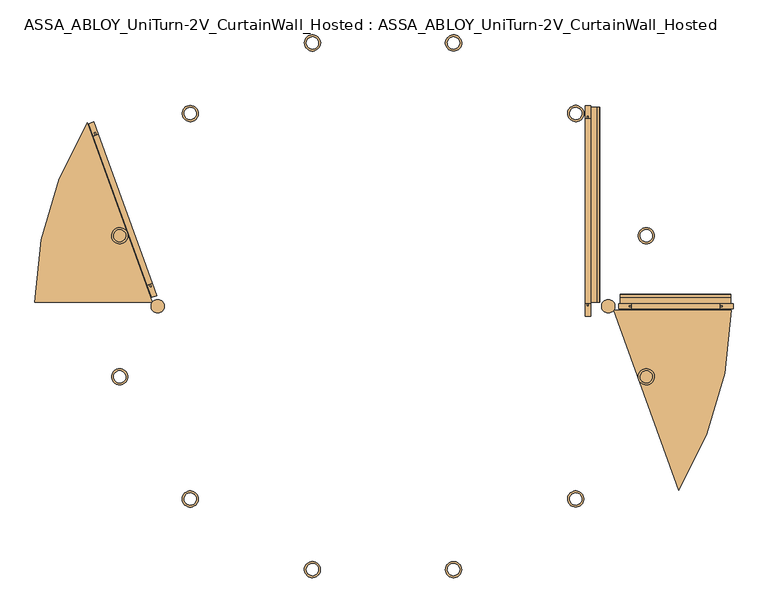
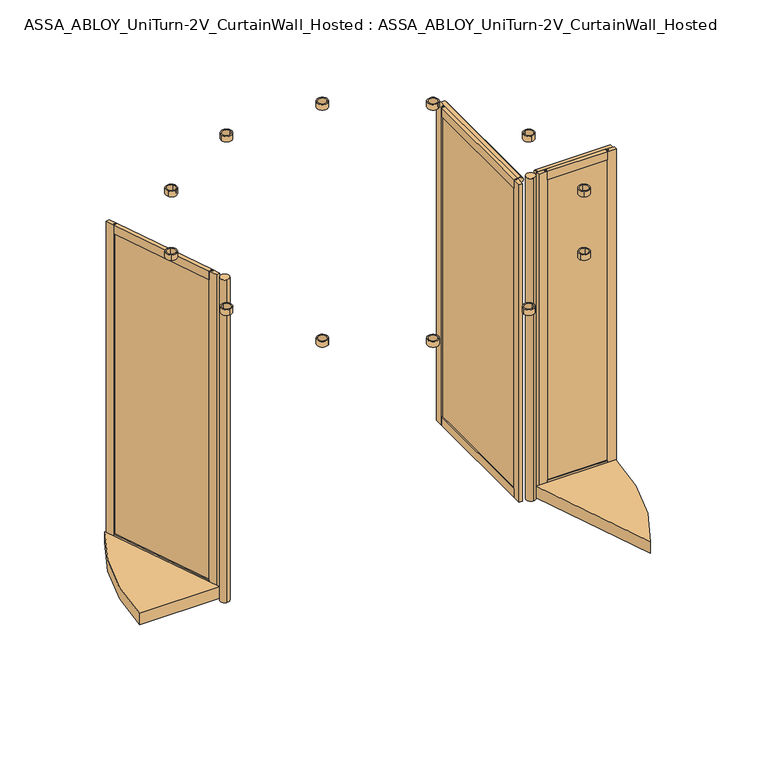
"""IFC4 building model written with IfcOpenShell, lengths in millimetres: door geometry, ASSA_ABLOY_UniTurn-2V_CurtainWall_Hosted : ASSA_ABLOY_UniTurn-2V_CurtainWall_Hosted."""

from ifc_helpers import new_model, si_unit, point, frame, frame_2d, origin, origin_with_axes, origin_2d, place, context, project, spatial, polyline, circle_curve, trimmed, segment, composite_curve, outline, extrude, source, transform, mapped, element, save


def assa_abloy_uniturn_2v_curtainwall_hosted_assa_abloy_uniturn_6cddff91(model_context):
    return source(origin(), model_context, "Body", "SweptSolid", [
        extrude(outline(polyline([(1009.8, 0.0), (1009.8, 943.95), (1019.8, 943.95), (1019.8, 0.0), (1009.8, 0.0)])), frame((0.0, 0.0, 90.0), z_axis=(0.0, 0.0, 1.0), x_axis=(1.0, 0.0, 0.0)), (0.0, 0.0, 1.0), 2346.0),
        extrude(outline(polyline([(2486.0, 1001.8), (2421.0, 1001.8), (2421.0, 1009.8), (2436.0, 1009.8), (2436.0, 1019.8), (2421.0, 1019.8), (2421.0, 1027.8), (2486.0, 1027.8), (2486.0, 1001.8)])), frame((0.0, 15.0, 0.0), z_axis=(0.0, 1.0, 0.0), x_axis=(0.0, 0.0, 1.0)), (0.0, 0.0, 1.0), 913.95),
        extrude(outline(polyline([(105.0, 1027.8), (105.0, 1019.8), (90.0, 1019.8), (90.0, 1009.8), (105.0, 1009.8), (105.0, 1001.8), (40.0, 1001.8), (40.0, 1027.8), (105.0, 1027.8)])), frame((0.0, 15.0, 0.0), z_axis=(0.0, 1.0, 0.0), x_axis=(0.0, 0.0, 1.0)), (0.0, 0.0, 1.0), 913.95),
        extrude(outline(polyline([(1027.8, 15.0), (1027.8, -50.0), (1001.8, -50.0), (1001.8, 15.0), (1009.8, 15.0), (1009.8, 0.0), (1019.8, 0.0), (1019.8, 15.0), (1027.8, 15.0)])), frame((0.0, 0.0, 40.0), z_axis=(0.0, 0.0, 1.0), x_axis=(1.0, 0.0, 0.0)), (0.0, 0.0, 1.0), 2446.0),
        extrude(outline(polyline([(1027.8, 928.95), (1019.8, 928.95), (1019.8, 943.95), (1009.8, 943.95), (1009.8, 928.95), (1001.8, 928.95), (1001.8, 993.95), (1027.8, 993.95), (1027.8, 928.95)])), frame((0.0, 0.0, 40.0), z_axis=(0.0, 0.0, 1.0), x_axis=(1.0, 0.0, 0.0)), (0.0, 0.0, 1.0), 2446.0),
        extrude(outline(polyline([(2486.0, 1027.8), (2437.8850542, 1027.8), (2437.8850542, 1030.7913329), (2483.0, 1030.7913329), (2483.0, 1057.7913329), (2486.0, 1057.7913329), (2486.0, 1027.8)])), frame((0.0, 20.27, 0.0), z_axis=(0.0, 1.0, 0.0), x_axis=(0.0, 0.0, 1.0)), (0.0, 0.0, 1.0), 964.68),
        extrude(outline(composite_curve([segment(trimmed(circle_curve(frame_2d((2455.1662061, 1047.6695926)), 27.9399487), [point((2463.4731378, 1074.346092))], [point((2483.0, 1050.1028312))], False, "CARTESIAN"), True, "CONTINUOUS"), segment(polyline([(2483.0, 1050.1028312), (2483.0, 1030.7913329), (2438.0, 1030.7913329), (2438.0, 1050.1028312)]), True, "CONTINUOUS"), segment(trimmed(circle_curve(frame_2d((2465.8337939, 1047.6695926)), 27.9399487), [point((2438.0, 1050.1028312))], [point((2452.6647456, 1072.311364))], False, "CARTESIAN"), True, "CONTINUOUS"), segment(trimmed(circle_curve(frame_2d((2465.8337939, 1047.6695926)), 27.9399487), [point((2452.6647456, 1072.311364))], [point((2457.5268622, 1074.346092))], False, "CARTESIAN"), True, "CONTINUOUS"), segment(trimmed(circle_curve(frame_2d((2460.5, 1064.7982937)), 10.0), [point((2457.5268622, 1074.346092))], [point((2463.4731378, 1074.346092))], False, "CARTESIAN"), True, "CONTINUOUS")], self_intersect=False)), frame((0.0, 20.27, 0.0), z_axis=(0.0, 1.0, 0.0), x_axis=(0.0, 0.0, 1.0)), (0.0, 0.0, 1.0), 964.68),
        extrude(outline(polyline([(1684.0, -5.0), (1216.6, -5.0), (1216.6, 5.0), (1684.0, 5.0), (1684.0, -5.0)])), frame((0.0, 0.0, 90.0), z_axis=(0.0, 0.0, 1.0), x_axis=(1.0, 0.0, 0.0)), (0.0, 0.0, 1.0), 2346.0),
        extrude(outline(polyline([(-13.0, 2486.0), (13.0, 2486.0), (13.0, 2421.0), (5.0, 2421.0), (5.0, 2436.0), (-5.0, 2436.0), (-5.0, 2421.0), (-13.0, 2421.0), (-13.0, 2486.0)])), frame((1231.6, 0.0, 0.0), z_axis=(1.0, 0.0, 0.0), x_axis=(0.0, 1.0, 0.0)), (0.0, 0.0, 1.0), 437.4),
        extrude(outline(polyline([(13.0, 105.0), (13.0, 40.0), (-13.0, 40.0), (-13.0, 105.0), (-5.0, 105.0), (-5.0, 90.0), (5.0, 90.0), (5.0, 105.0), (13.0, 105.0)])), frame((1231.6, 0.0, 0.0), z_axis=(1.0, 0.0, 0.0), x_axis=(0.0, 1.0, 0.0)), (0.0, 0.0, 1.0), 437.4),
        extrude(outline(polyline([(1669.0, 13.0), (1734.0, 13.0), (1734.0, -13.0), (1669.0, -13.0), (1669.0, -5.0), (1684.0, -5.0), (1684.0, 5.0), (1669.0, 5.0), (1669.0, 13.0)])), frame((0.0, 0.0, 40.0), z_axis=(0.0, 0.0, 1.0), x_axis=(1.0, 0.0, 0.0)), (0.0, 0.0, 1.0), 2446.0),
        extrude(outline(polyline([(1231.6, 13.0), (1231.6, 5.0), (1216.6, 5.0), (1216.6, -5.0), (1231.6, -5.0), (1231.6, -13.0), (1166.6, -13.0), (1166.6, 13.0), (1231.6, 13.0)])), frame((0.0, 0.0, 40.0), z_axis=(0.0, 0.0, 1.0), x_axis=(1.0, 0.0, 0.0)), (0.0, 0.0, 1.0), 2446.0),
        extrude(outline(polyline([(13.0, 2486.0), (42.9913329, 2486.0), (42.9913329, 2483.0), (15.9913329, 2483.0), (15.9913329, 2437.8850542), (13.0, 2437.8850542), (13.0, 2486.0)])), frame((1175.6, 0.0, 0.0), z_axis=(1.0, 0.0, 0.0), x_axis=(0.0, 1.0, 0.0)), (0.0, 0.0, 1.0), 547.4),
        extrude(outline(composite_curve([segment(trimmed(circle_curve(frame_2d((49.9982937, 2460.5)), 10.0), [point((59.546092, 2463.4731378))], [point((59.546092, 2457.5268622))], False, "CARTESIAN"), True, "CONTINUOUS"), segment(trimmed(circle_curve(frame_2d((32.8695926, 2465.8337939)), 27.9399487), [point((59.546092, 2457.5268622))], [point((57.511364, 2452.6647456))], False, "CARTESIAN"), True, "CONTINUOUS"), segment(trimmed(circle_curve(frame_2d((32.8695926, 2465.8337939)), 27.9399487), [point((57.511364, 2452.6647456))], [point((35.3028312, 2438.0))], False, "CARTESIAN"), True, "CONTINUOUS"), segment(polyline([(35.3028312, 2438.0), (15.9913329, 2438.0), (15.9913329, 2483.0), (35.3028312, 2483.0)]), True, "CONTINUOUS"), segment(trimmed(circle_curve(frame_2d((32.8695926, 2455.1662061)), 27.9399487), [point((35.3028312, 2483.0))], [point((59.546092, 2463.4731378))], False, "CARTESIAN"), True, "CONTINUOUS")], self_intersect=False)), frame((1175.6, 0.0, 0.0), z_axis=(1.0, 0.0, 0.0), x_axis=(0.0, 1.0, 0.0)), (0.0, 0.0, 1.0), 547.4),
        extrude(outline(polyline([(-1145.3259997, 96.5821419), (-1154.7294749, 93.1799876), (-1432.1859526, 860.0632177), (-1422.7824774, 863.465372), (-1145.3259997, 96.5821419)])), frame((0.0, 0.0, 90.0), z_axis=(0.0, 0.0, 1.0), x_axis=(1.0, 0.0, 0.0)), (0.0, 0.0, 1.0), 2346.0),
        extrude(outline(polyline([(-26.0, 0.0), (0.0, 0.0), (0.0, -65.0), (-8.0, -65.0), (-8.0, -50.0), (-18.0, -50.0), (-18.0, -65.0), (-26.0, -65.0), (-26.0, 0.0)])), frame((-1167.3554865, 104.5634769, 2486.0), z_axis=(-0.3402154337922676, 0.9403475201272875, 0.0), x_axis=(-0.9403475201272875, -0.3402154337922676, 0.0)), (0.0, 0.0, 1.0), 785.5317195),
        extrude(outline(polyline([(-65.0, 0.0), (0.0, 0.0), (0.0, -26.0), (-65.0, -26.0), (-65.0, -18.0), (-50.0, -18.0), (-50.0, -8.0), (-65.0, -8.0), (-65.0, 0.0)])), frame((-1167.3554865, 104.5634769, 40.0), z_axis=(-0.3402154337922676, 0.9403475201272875, 0.0), x_axis=(0.0, 0.0, -1.0)), (0.0, 0.0, 1.0), 785.5317195),
        extrude(outline(polyline([(-1167.3554865, 104.5634769), (-1159.8327064, 107.2852004), (-1154.7294749, 93.1799876), (-1145.3259997, 96.5821419), (-1150.4292312, 110.6873548), (-1142.906451, 113.4090782), (-1120.7924478, 52.2864894), (-1145.2414833, 43.4408881), (-1167.3554865, 104.5634769)])), frame((0.0, 0.0, 40.0), z_axis=(0.0, 0.0, 1.0), x_axis=(1.0, 0.0, 0.0)), (0.0, 0.0, 1.0), 2446.0),
        extrude(outline(polyline([(-1434.6055013, 843.2362814), (-1456.7195045, 904.3588702), (-1432.2704689, 913.2044715), (-1410.1564657, 852.0818827), (-1417.6792459, 849.3601592), (-1422.7824774, 863.465372), (-1432.1859526, 860.0632177), (-1427.0827211, 845.9580049), (-1434.6055013, 843.2362814)])), frame((0.0, 0.0, 40.0), z_axis=(0.0, 0.0, 1.0), x_axis=(1.0, 0.0, 0.0)), (0.0, 0.0, 1.0), 2446.0),
        extrude(outline(composite_curve([segment(trimmed(circle_curve(origin_2d(), 1724.0), [point((1723.8839868, -20.0))], [point((1464.1470738, -910.1919283))], False, "CARTESIAN"), True, "CONTINUOUS"), segment(polyline([(1464.1470738, -910.1919283), (1142.0778105, -20.0), (1723.8839868, -20.0)]), True, "CONTINUOUS")], self_intersect=False)), frame((0.0, 0.0, 8.0), z_axis=(0.0, 0.0, 1.0), x_axis=(1.0, 0.0, 0.0)), (0.0, 0.0, 1.0), 87.0),
        extrude(outline(composite_curve([segment(trimmed(circle_curve(origin_2d(), 1724.0), [point((-1723.8839868, 20.0))], [point((-1464.1470738, 910.1919283))], False, "CARTESIAN"), True, "CONTINUOUS"), segment(polyline([(-1464.1470738, 910.1919283), (-1142.0778105, 20.0), (-1723.8839868, 20.0)]), True, "CONTINUOUS")], self_intersect=False)), frame((0.0, 0.0, 8.0), z_axis=(0.0, 0.0, 1.0), x_axis=(1.0, 0.0, 0.0)), (0.0, 0.0, 1.0), 87.0),
        extrude(outline(composite_curve([segment(trimmed(circle_curve(frame_2d((1115.7, 0.0)), 33.0), [point((1115.7, -33.0))], [point((1115.7, 33.0))], False, "CARTESIAN"), True, "CONTINUOUS"), segment(trimmed(circle_curve(frame_2d((1115.7, 0.0)), 33.0), [point((1115.7, 33.0))], [point((1115.7, -33.0))], False, "CARTESIAN"), True, "CONTINUOUS")], self_intersect=False)), origin_with_axes(), (0.0, 0.0, 1.0), 2486.0),
        extrude(outline(composite_curve([segment(trimmed(circle_curve(frame_2d((-1115.7, 0.0)), 33.0), [point((-1115.7, -33.0))], [point((-1115.7, 33.0))], False, "CARTESIAN"), True, "CONTINUOUS"), segment(trimmed(circle_curve(frame_2d((-1115.7, 0.0)), 33.0), [point((-1115.7, 33.0))], [point((-1115.7, -33.0))], False, "CARTESIAN"), True, "CONTINUOUS")], self_intersect=False)), origin_with_axes(), (0.0, 0.0, 1.0), 2486.0),
        extrude(outline(composite_curve([segment(trimmed(circle_curve(frame_2d((-954.5941546, -954.5941546)), 40.0), [point((-934.5941546, -989.2351708))], [point((-974.5941546, -919.9531385))], False, "CARTESIAN"), True, "CONTINUOUS"), segment(trimmed(circle_curve(frame_2d((-954.5941546, -954.5941546)), 40.0), [point((-974.5941546, -919.9531385))], [point((-934.5941546, -989.2351708))], False, "CARTESIAN"), True, "CONTINUOUS")], self_intersect=False), holes=[composite_curve([segment(trimmed(circle_curve(frame_2d((-954.5941546, -954.5941546)), 30.0), [point((-975.807358, -933.3809512))], [point((-933.3809512, -975.807358))], True, "CARTESIAN"), True, "CONTINUOUS"), segment(trimmed(circle_curve(frame_2d((-954.5941546, -954.5941546)), 30.0), [point((-933.3809512, -975.807358))], [point((-975.807358, -933.3809512))], True, "CARTESIAN"), True, "CONTINUOUS")], self_intersect=False)]), frame((0.0, 0.0, 2496.2), z_axis=(0.0, 0.0, 1.0), x_axis=(1.0, 0.0, 0.0)), (0.0, 0.0, 1.0), 42.8),
        extrude(outline(composite_curve([segment(trimmed(circle_curve(frame_2d((-1303.9998655, -349.4057109)), 40.0), [point((-1303.9998655, -389.4057109))], [point((-1303.9998655, -309.4057109))], False, "CARTESIAN"), True, "CONTINUOUS"), segment(trimmed(circle_curve(frame_2d((-1303.9998655, -349.4057109)), 40.0), [point((-1303.9998655, -309.4057109))], [point((-1303.9998655, -389.4057109))], False, "CARTESIAN"), True, "CONTINUOUS")], self_intersect=False), holes=[composite_curve([segment(trimmed(circle_curve(frame_2d((-1303.9998655, -349.4057109)), 30.0), [point((-1311.7644368, -320.4279361))], [point((-1296.2352941, -378.3834857))], True, "CARTESIAN"), True, "CONTINUOUS"), segment(trimmed(circle_curve(frame_2d((-1303.9998655, -349.4057109)), 30.0), [point((-1296.2352941, -378.3834857))], [point((-1311.7644368, -320.4279361))], True, "CARTESIAN"), True, "CONTINUOUS")], self_intersect=False)]), frame((0.0, 0.0, 2496.2), z_axis=(0.0, 0.0, 1.0), x_axis=(1.0, 0.0, 0.0)), (0.0, 0.0, 1.0), 42.8),
        extrude(outline(composite_curve([segment(trimmed(circle_curve(frame_2d((-1303.9998655, 349.4057109)), 40.0), [point((-1323.9998655, 314.7646947))], [point((-1283.9998655, 384.046727))], False, "CARTESIAN"), True, "CONTINUOUS"), segment(trimmed(circle_curve(frame_2d((-1303.9998655, 349.4057109)), 40.0), [point((-1283.9998655, 384.046727))], [point((-1323.9998655, 314.7646947))], False, "CARTESIAN"), True, "CONTINUOUS")], self_intersect=False), holes=[composite_curve([segment(trimmed(circle_curve(frame_2d((-1303.9998655, 349.4057109)), 30.0), [point((-1296.2352941, 378.3834857))], [point((-1311.7644368, 320.4279361))], True, "CARTESIAN"), True, "CONTINUOUS"), segment(trimmed(circle_curve(frame_2d((-1303.9998655, 349.4057109)), 30.0), [point((-1311.7644368, 320.4279361))], [point((-1296.2352941, 378.3834857))], True, "CARTESIAN"), True, "CONTINUOUS")], self_intersect=False)]), frame((0.0, 0.0, 2496.2), z_axis=(0.0, 0.0, 1.0), x_axis=(1.0, 0.0, 0.0)), (0.0, 0.0, 1.0), 42.8),
        extrude(outline(composite_curve([segment(trimmed(circle_curve(frame_2d((-954.5941546, 954.5941546)), 40.0), [point((-989.2351708, 934.5941546))], [point((-919.9531385, 974.5941546))], False, "CARTESIAN"), True, "CONTINUOUS"), segment(trimmed(circle_curve(frame_2d((-954.5941546, 954.5941546)), 40.0), [point((-919.9531385, 974.5941546))], [point((-989.2351708, 934.5941546))], False, "CARTESIAN"), True, "CONTINUOUS")], self_intersect=False), holes=[composite_curve([segment(trimmed(circle_curve(frame_2d((-954.5941546, 954.5941546)), 30.0), [point((-933.3809512, 975.807358))], [point((-975.807358, 933.3809512))], True, "CARTESIAN"), True, "CONTINUOUS"), segment(trimmed(circle_curve(frame_2d((-954.5941546, 954.5941546)), 30.0), [point((-975.807358, 933.3809512))], [point((-933.3809512, 975.807358))], True, "CARTESIAN"), True, "CONTINUOUS")], self_intersect=False)]), frame((0.0, 0.0, 2496.2), z_axis=(0.0, 0.0, 1.0), x_axis=(1.0, 0.0, 0.0)), (0.0, 0.0, 1.0), 42.8),
        extrude(outline(composite_curve([segment(trimmed(circle_curve(frame_2d((-349.4057109, 1303.9998655)), 40.0), [point((-389.4057109, 1303.9998655))], [point((-309.4057109, 1303.9998655))], False, "CARTESIAN"), True, "CONTINUOUS"), segment(trimmed(circle_curve(frame_2d((-349.4057109, 1303.9998655)), 40.0), [point((-309.4057109, 1303.9998655))], [point((-389.4057109, 1303.9998655))], False, "CARTESIAN"), True, "CONTINUOUS")], self_intersect=False), holes=[composite_curve([segment(trimmed(circle_curve(frame_2d((-349.4057109, 1303.9998655)), 30.0), [point((-320.4279361, 1311.7644368))], [point((-378.3834857, 1296.2352941))], True, "CARTESIAN"), True, "CONTINUOUS"), segment(trimmed(circle_curve(frame_2d((-349.4057109, 1303.9998655)), 30.0), [point((-378.3834857, 1296.2352941))], [point((-320.4279361, 1311.7644368))], True, "CARTESIAN"), True, "CONTINUOUS")], self_intersect=False)]), frame((0.0, 0.0, 2496.2), z_axis=(0.0, 0.0, 1.0), x_axis=(1.0, 0.0, 0.0)), (0.0, 0.0, 1.0), 42.8),
        extrude(outline(composite_curve([segment(trimmed(circle_curve(frame_2d((349.4057109, 1303.9998655)), 40.0), [point((314.7646947, 1323.9998655))], [point((384.046727, 1283.9998655))], False, "CARTESIAN"), True, "CONTINUOUS"), segment(trimmed(circle_curve(frame_2d((349.4057109, 1303.9998655)), 40.0), [point((384.046727, 1283.9998655))], [point((314.7646947, 1323.9998655))], False, "CARTESIAN"), True, "CONTINUOUS")], self_intersect=False), holes=[composite_curve([segment(trimmed(circle_curve(frame_2d((349.4057109, 1303.9998655)), 30.0), [point((378.3834857, 1296.2352941))], [point((320.4279361, 1311.7644368))], True, "CARTESIAN"), True, "CONTINUOUS"), segment(trimmed(circle_curve(frame_2d((349.4057109, 1303.9998655)), 30.0), [point((320.4279361, 1311.7644368))], [point((378.3834857, 1296.2352941))], True, "CARTESIAN"), True, "CONTINUOUS")], self_intersect=False)]), frame((0.0, 0.0, 2496.2), z_axis=(0.0, 0.0, 1.0), x_axis=(1.0, 0.0, 0.0)), (0.0, 0.0, 1.0), 42.8),
        extrude(outline(composite_curve([segment(trimmed(circle_curve(frame_2d((954.5941546, 954.5941546)), 40.0), [point((934.5941546, 989.2351708))], [point((974.5941546, 919.9531385))], False, "CARTESIAN"), True, "CONTINUOUS"), segment(trimmed(circle_curve(frame_2d((954.5941546, 954.5941546)), 40.0), [point((974.5941546, 919.9531385))], [point((934.5941546, 989.2351708))], False, "CARTESIAN"), True, "CONTINUOUS")], self_intersect=False), holes=[composite_curve([segment(trimmed(circle_curve(frame_2d((954.5941546, 954.5941546)), 30.0), [point((975.807358, 933.3809512))], [point((933.3809512, 975.807358))], True, "CARTESIAN"), True, "CONTINUOUS"), segment(trimmed(circle_curve(frame_2d((954.5941546, 954.5941546)), 30.0), [point((933.3809512, 975.807358))], [point((975.807358, 933.3809512))], True, "CARTESIAN"), True, "CONTINUOUS")], self_intersect=False)]), frame((0.0, 0.0, 2496.2), z_axis=(0.0, 0.0, 1.0), x_axis=(1.0, 0.0, 0.0)), (0.0, 0.0, 1.0), 42.8),
        extrude(outline(composite_curve([segment(trimmed(circle_curve(frame_2d((1303.9998655, 349.4057109)), 40.0), [point((1303.9998655, 389.4057109))], [point((1303.9998655, 309.4057109))], False, "CARTESIAN"), True, "CONTINUOUS"), segment(trimmed(circle_curve(frame_2d((1303.9998655, 349.4057109)), 40.0), [point((1303.9998655, 309.4057109))], [point((1303.9998655, 389.4057109))], False, "CARTESIAN"), True, "CONTINUOUS")], self_intersect=False), holes=[composite_curve([segment(trimmed(circle_curve(frame_2d((1303.9998655, 349.4057109)), 30.0), [point((1311.7644368, 320.4279361))], [point((1296.2352941, 378.3834857))], True, "CARTESIAN"), True, "CONTINUOUS"), segment(trimmed(circle_curve(frame_2d((1303.9998655, 349.4057109)), 30.0), [point((1296.2352941, 378.3834857))], [point((1311.7644368, 320.4279361))], True, "CARTESIAN"), True, "CONTINUOUS")], self_intersect=False)]), frame((0.0, 0.0, 2496.2), z_axis=(0.0, 0.0, 1.0), x_axis=(1.0, 0.0, 0.0)), (0.0, 0.0, 1.0), 42.8),
        extrude(outline(composite_curve([segment(trimmed(circle_curve(frame_2d((1303.9998655, -349.4057109)), 40.0), [point((1323.9998655, -314.7646947))], [point((1283.9998655, -384.046727))], False, "CARTESIAN"), True, "CONTINUOUS"), segment(trimmed(circle_curve(frame_2d((1303.9998655, -349.4057109)), 40.0), [point((1283.9998655, -384.046727))], [point((1323.9998655, -314.7646947))], False, "CARTESIAN"), True, "CONTINUOUS")], self_intersect=False), holes=[composite_curve([segment(trimmed(circle_curve(frame_2d((1303.9998655, -349.4057109)), 30.0), [point((1296.2352941, -378.3834857))], [point((1311.7644368, -320.4279361))], True, "CARTESIAN"), True, "CONTINUOUS"), segment(trimmed(circle_curve(frame_2d((1303.9998655, -349.4057109)), 30.0), [point((1311.7644368, -320.4279361))], [point((1296.2352941, -378.3834857))], True, "CARTESIAN"), True, "CONTINUOUS")], self_intersect=False)]), frame((0.0, 0.0, 2496.2), z_axis=(0.0, 0.0, 1.0), x_axis=(1.0, 0.0, 0.0)), (0.0, 0.0, 1.0), 42.8),
        extrude(outline(composite_curve([segment(trimmed(circle_curve(frame_2d((954.5941546, -954.5941546)), 40.0), [point((989.2351708, -934.5941546))], [point((919.9531385, -974.5941546))], False, "CARTESIAN"), True, "CONTINUOUS"), segment(trimmed(circle_curve(frame_2d((954.5941546, -954.5941546)), 40.0), [point((919.9531385, -974.5941546))], [point((989.2351708, -934.5941546))], False, "CARTESIAN"), True, "CONTINUOUS")], self_intersect=False), holes=[composite_curve([segment(trimmed(circle_curve(frame_2d((954.5941546, -954.5941546)), 30.0), [point((933.3809512, -975.807358))], [point((975.807358, -933.3809512))], True, "CARTESIAN"), True, "CONTINUOUS"), segment(trimmed(circle_curve(frame_2d((954.5941546, -954.5941546)), 30.0), [point((975.807358, -933.3809512))], [point((933.3809512, -975.807358))], True, "CARTESIAN"), True, "CONTINUOUS")], self_intersect=False)]), frame((0.0, 0.0, 2496.2), z_axis=(0.0, 0.0, 1.0), x_axis=(1.0, 0.0, 0.0)), (0.0, 0.0, 1.0), 42.8),
        extrude(outline(composite_curve([segment(trimmed(circle_curve(frame_2d((349.4057109, -1303.9998655)), 40.0), [point((389.4057109, -1303.9998655))], [point((309.4057109, -1303.9998655))], False, "CARTESIAN"), True, "CONTINUOUS"), segment(trimmed(circle_curve(frame_2d((349.4057109, -1303.9998655)), 40.0), [point((309.4057109, -1303.9998655))], [point((389.4057109, -1303.9998655))], False, "CARTESIAN"), True, "CONTINUOUS")], self_intersect=False), holes=[composite_curve([segment(trimmed(circle_curve(frame_2d((349.4057109, -1303.9998655)), 30.0), [point((320.4279361, -1311.7644368))], [point((378.3834857, -1296.2352941))], True, "CARTESIAN"), True, "CONTINUOUS"), segment(trimmed(circle_curve(frame_2d((349.4057109, -1303.9998655)), 30.0), [point((378.3834857, -1296.2352941))], [point((320.4279361, -1311.7644368))], True, "CARTESIAN"), True, "CONTINUOUS")], self_intersect=False)]), frame((0.0, 0.0, 2496.2), z_axis=(0.0, 0.0, 1.0), x_axis=(1.0, 0.0, 0.0)), (0.0, 0.0, 1.0), 42.8),
        extrude(outline(composite_curve([segment(trimmed(circle_curve(frame_2d((-349.4057109, -1303.9998655)), 40.0), [point((-314.7646947, -1323.9998655))], [point((-384.046727, -1283.9998655))], False, "CARTESIAN"), True, "CONTINUOUS"), segment(trimmed(circle_curve(frame_2d((-349.4057109, -1303.9998655)), 40.0), [point((-384.046727, -1283.9998655))], [point((-314.7646947, -1323.9998655))], False, "CARTESIAN"), True, "CONTINUOUS")], self_intersect=False), holes=[composite_curve([segment(trimmed(circle_curve(frame_2d((-349.4057109, -1303.9998655)), 30.0), [point((-378.3834857, -1296.2352941))], [point((-320.4279361, -1311.7644368))], True, "CARTESIAN"), True, "CONTINUOUS"), segment(trimmed(circle_curve(frame_2d((-349.4057109, -1303.9998655)), 30.0), [point((-320.4279361, -1311.7644368))], [point((-378.3834857, -1296.2352941))], True, "CARTESIAN"), True, "CONTINUOUS")], self_intersect=False)]), frame((0.0, 0.0, 2496.2), z_axis=(0.0, 0.0, 1.0), x_axis=(1.0, 0.0, 0.0)), (0.0, 0.0, 1.0), 42.8),
    ])


if __name__ == "__main__":
    model = new_model("IFC4")
    model_context = context("Model", 3, world=origin())
    ifc_project = project(units=[si_unit("LENGTHUNIT", "METRE", prefix="MILLI")], contexts=[model_context])
    site = spatial("IfcSite", under=ifc_project)
    building = spatial("IfcBuilding", under=site)
    placement = place(None, origin())
    assa_abloy_uniturn_2v_curtainwall_hosted_assa_abloy_uniturn_shape = assa_abloy_uniturn_2v_curtainwall_hosted_assa_abloy_uniturn_6cddff91(model_context)
    element("IfcDoor", 1, ObjectType="ASSA_ABLOY_UniTurn-2V_CurtainWall_Hosted : ASSA_ABLOY_UniTurn-2V_CurtainWall_Hosted", at=placement, inside=building, context=model_context, shape_type="MappedRepresentation", body=[
        mapped(assa_abloy_uniturn_2v_curtainwall_hosted_assa_abloy_uniturn_shape, transform((0.0, 0.0, 0.0), x_axis=(1.0, 0.0, 0.0), y_axis=(0.0, 1.0, 0.0), z_axis=(0.0, 0.0, 1.0))),
    ])
    save(model, "model.ifc")
